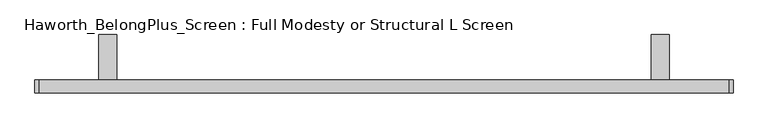
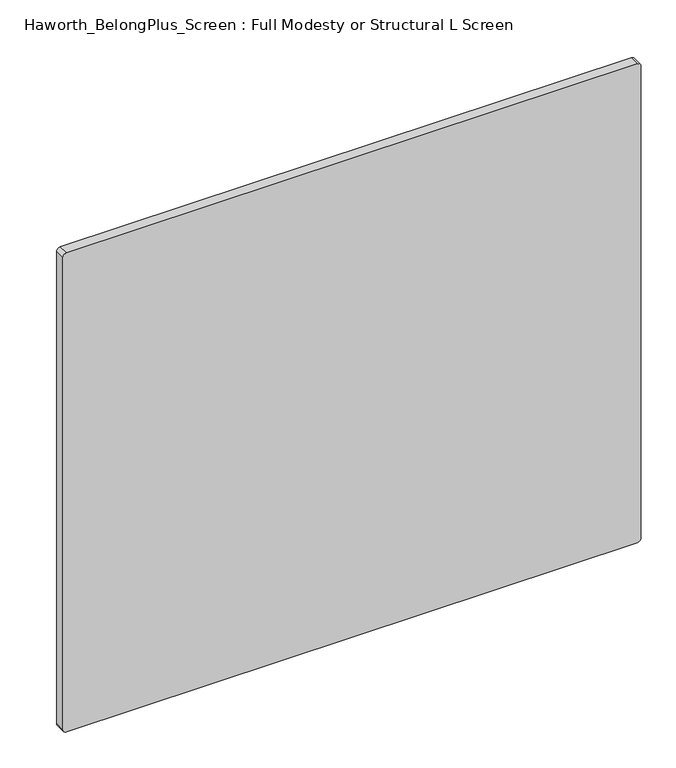
"""IFC4 building model written with IfcOpenShell, lengths in millimetres: furniture geometry, Haworth_BelongPlus_Screen : Full Modesty or Structural L Screen."""

from ifc_helpers import new_model, si_unit, point, frame, frame_2d, origin, place, context, project, spatial, polyline, circle_curve, trimmed, segment, composite_curve, outline, extrude, source, transform, mapped, element, save


def haworth_belongplus_screen_full_modesty_or_structural_l_98098269(model_context):
    return source(origin(), model_context, "Body", "SweptSolid", [
        extrude(outline(polyline([(11.1125, 731.8375), (90.4875, 731.8375), (90.4875, 725.4875), (17.4625, 725.4875), (17.4625, 679.45), (11.1125, 679.45), (11.1125, 731.8375)])), frame((-531.1395436, 0.0, 0.0), z_axis=(1.0, 0.0, 0.0), x_axis=(0.0, 1.0, 0.0)), (0.0, 0.0, 1.0), 31.75),
        extrude(outline(polyline([(11.1125, 731.8375), (90.4875, 731.8375), (90.4875, 725.4875), (17.4625, 725.4875), (17.4625, 679.45), (11.1125, 679.45), (11.1125, 731.8375)])), frame((434.0604564, 0.0, 0.0), z_axis=(1.0, 0.0, 0.0), x_axis=(0.0, 1.0, 0.0)), (0.0, 0.0, 1.0), 31.75),
        extrude(outline(composite_curve([segment(polyline([(1087.4375, 568.9979564), (1087.4375, -634.3270436)]), True, "CONTINUOUS"), segment(trimmed(circle_curve(frame_2d((1079.5, -634.3270436)), 7.9375), [point((1087.4375, -634.3270436))], [point((1079.5, -642.2645436))], False, "CARTESIAN"), True, "CONTINUOUS"), segment(polyline([(1079.5, -642.2645436), (28.575, -642.2645436)]), True, "CONTINUOUS"), segment(trimmed(circle_curve(frame_2d((28.575, -634.3270436)), 7.9375), [point((28.575, -642.2645436))], [point((20.6375, -634.3270436))], False, "CARTESIAN"), True, "CONTINUOUS"), segment(polyline([(20.6375, -634.3270436), (20.6375, 568.9979564)]), True, "CONTINUOUS"), segment(trimmed(circle_curve(frame_2d((28.575, 568.9979564)), 7.9375), [point((20.6375, 568.9979564))], [point((28.575, 576.9354564))], False, "CARTESIAN"), True, "CONTINUOUS"), segment(polyline([(28.575, 576.9354564), (1079.5, 576.9354564)]), True, "CONTINUOUS"), segment(trimmed(circle_curve(frame_2d((1079.5, 568.9979564)), 7.9375), [point((1079.5, 576.9354564))], [point((1087.4375, 568.9979564))], False, "CARTESIAN"), True, "CONTINUOUS")], self_intersect=False)), frame((0.0, -11.1125, 0.0), z_axis=(0.0, 1.0, 0.0), x_axis=(0.0, 0.0, 1.0)), (0.0, 0.0, 1.0), 22.225),
    ])


if __name__ == "__main__":
    model = new_model("IFC4")
    model_context = context("Model", 3, world=origin())
    ifc_project = project(units=[si_unit("LENGTHUNIT", "METRE", prefix="MILLI")], contexts=[model_context])
    site = spatial("IfcSite", under=ifc_project)
    building = spatial("IfcBuilding", under=site)
    placement = place(None, origin())
    haworth_belongplus_screen_full_modesty_or_structural_l_shape = haworth_belongplus_screen_full_modesty_or_structural_l_98098269(model_context)
    element("IfcFurniture", 1, ObjectType="Haworth_BelongPlus_Screen : Full Modesty or Structural L Screen", at=placement, inside=building, context=model_context, shape_type="MappedRepresentation", body=[
        mapped(haworth_belongplus_screen_full_modesty_or_structural_l_shape, transform((0.0, 0.0, 0.0), x_axis=(1.0, 0.0, 0.0), y_axis=(0.0, 1.0, 0.0), z_axis=(0.0, 0.0, 1.0))),
    ])
    save(model, "model.ifc")
